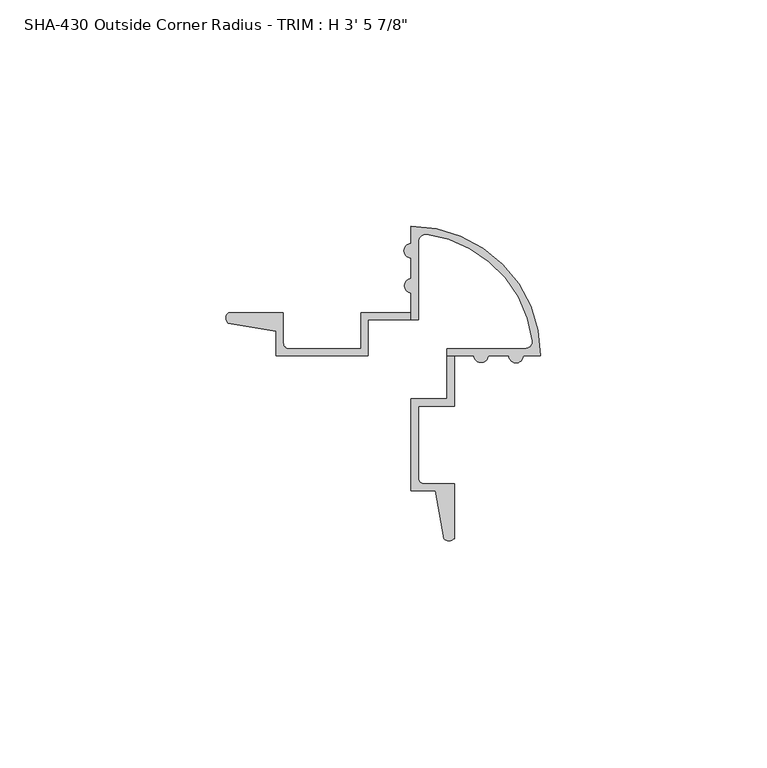
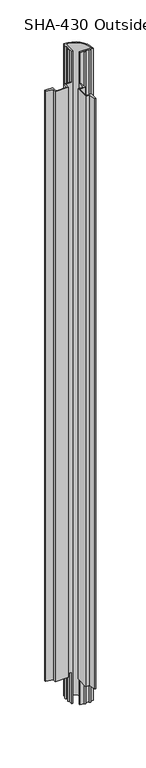
"""IFC4 building model written with IfcOpenShell, lengths in millimetres: proxy geometry."""

from ifc_helpers import new_model, si_unit, frame, origin, place, context, project, spatial, polyline, circle_curve, source, transform, mapped, element, save
from ifc_brep_helpers import plane_surface, cylinder_surface, revolved_surface, advanced_brep


def proxy_ad47ab9e(model_context):
    return source(origin(), model_context, "Body", "AdvancedBrep", [
        advanced_brep(
        [(12.174813, 18.5571767, 1063.625), (12.174813, 35.8208366, 1063.625), (13.9611448, 37.3970335, 1063.625), (37.3943128, 13.9638655, 1063.625), (35.8181158, 12.1775337, 1063.625), (18.554456, 12.1775337, 1063.625), (18.554456, 10.6016856, 1063.625), (24.4765947, 10.6016856, 1063.625), (27.6282909, 10.6016856, 1063.625), (32.2160421, 10.6016856, 1063.625), (35.3677382, 10.6016856, 1063.625), (39.1929824, 10.6016856, 1063.625), (10.5989649, 39.1957031, 1063.625), (10.5989649, 35.370459, 1063.625), (10.5989649, 32.2187628, 1063.625), (10.5989649, 27.6310116, 1063.625), (10.5989649, 24.4793155, 1063.625), (10.5926257, 18.5571767, 1063.625), (10.5989649, 18.5571767, 0.0), (10.5989649, 24.4793155, 0.0), (10.5989649, 27.6310116, 0.0), (10.5989649, 32.2187628, 0.0), (10.5989649, 35.370459, 0.0), (10.5989649, 39.1957031, 0.0), (39.1929824, 10.6016856, 0.0), (35.3677382, 10.6016856, 0.0), (32.2160421, 10.6016856, 0.0), (27.6282909, 10.6016856, 0.0), (24.4765947, 10.6016856, 0.0), (18.554456, 10.6016856, 0.0), (18.554456, 12.1775337, 0.0), (35.8181158, 12.1775337, 0.0), (37.3943128, 13.9638655, 0.0), (13.9611448, 37.3970335, 0.0), (12.174813, 35.8208366, 0.0), (12.174813, 18.5571767, 0.0), (-29.8450418, 17.8101106, 1012.825), (-29.8450418, 17.8101106, 50.8), (-19.2619162, 15.9979316, 50.8), (-19.2619162, 15.9979316, 1012.825), (-19.2619162, 10.6016856, 50.8), (-19.2619162, 10.6016856, 1012.825), (1.0676257, 10.6016856, 50.8), (1.0676257, 10.6016856, 1012.825), (1.0676257, 18.5571767, 50.8), (1.0676257, 18.5571767, 1012.825), (10.5926257, 18.5571767, 1012.825), (10.5989649, 18.5571767, 50.8), (18.554456, 10.6016856, 50.8), (18.554456, 1.0703465, 50.8), (18.554456, 1.0703465, 1012.825), (18.554456, 10.6016856, 1012.825), (10.5989649, 1.0703465, 50.8), (10.5989649, 1.0703465, 1012.825), (10.5989649, -19.2591955, 50.8), (10.5989649, -19.2591955, 1012.825), (15.9952108, -19.2591955, 50.8), (15.9952108, -19.2591955, 1012.825), (17.8073899, -29.8423211, 50.8), (17.8073899, -29.8423211, 1012.825), (20.130304, -29.7761933, 50.8), (20.130304, -29.7761933, 1012.825), (20.130304, -17.6833474, 50.8), (20.130304, -17.6833474, 1012.825), (13.4456582, -17.6833474, 50.8), (13.4456582, -17.6833474, 1012.825), (12.174813, -16.4125022, 50.8), (12.174813, -16.4125022, 1012.825), (12.174813, -0.5055016, 50.8), (12.174813, -0.5055016, 1012.825), (20.130304, -0.5055016, 50.8), (20.130304, -0.5055016, 1012.825), (20.130304, 10.6016856, 50.8), (20.130304, 10.6016856, 1012.825), (10.5989649, 20.1330248, 50.8), (10.5989649, 20.1330248, 1012.825), (-0.5082223, 20.1330248, 50.8), (-0.5082223, 20.1330248, 1012.825), (-0.5082223, 12.1775337, 50.8), (-0.5082223, 12.1775337, 1012.825), (-16.4152229, 12.1775337, 50.8), (-16.4152229, 12.1775337, 1012.825), (-17.6860681, 13.4483789, 50.8), (-17.6860681, 13.4483789, 1012.825), (-17.6860681, 20.1330248, 50.8), (-17.6860681, 20.1330248, 1012.825), (-29.778914, 20.1330248, 50.8), (-29.778914, 20.1330248, 1012.825)],
        [
            (0, 1),
            (1, 2, circle_curve(frame((13.7633695, 35.8208366, 1063.625), z_axis=(0.0, 0.0, -1.0), x_axis=(1.0, 0.0, 0.0)), 1.5885565)),
            (2, 3, circle_curve(frame((10.5989649, 10.6016856, 1063.625), z_axis=(0.0, 0.0, -1.0), x_axis=(1.0, 0.0, 0.0)), 27.0054609)),
            (3, 4, circle_curve(frame((35.8181158, 13.7660902, 1063.625), z_axis=(0.0, 0.0, -1.0), x_axis=(1.0, 0.0, 0.0)), 1.5885565)),
            (4, 5),
            (5, 6),
            (6, 7),
            (7, 8, circle_curve(frame((26.0524428, 10.6927316, 1063.625), z_axis=(0.0, 0.0, 1.0), x_axis=(1.0, 0.0, 0.0)), 1.578476)),
            (8, 9),
            (9, 10, circle_curve(frame((33.7918902, 10.6016856, 1063.625), z_axis=(0.0, 0.0, 1.0), x_axis=(1.0, 0.0, 0.0)), 1.5758481)),
            (10, 11),
            (11, 12, circle_curve(frame((10.5989649, 10.6016856, 1063.625), z_axis=(0.0, 0.0, 1.0), x_axis=(1.0, 0.0, 0.0)), 28.5940175)),
            (12, 13),
            (13, 14, circle_curve(frame((10.5989649, 33.7946109, 1063.625), z_axis=(0.0, 0.0, 1.0), x_axis=(1.0, 0.0, 0.0)), 1.5758481)),
            (14, 15),
            (15, 16, circle_curve(frame((10.6900109, 26.0551635, 1063.625), z_axis=(0.0, 0.0, 1.0), x_axis=(1.0, 0.0, 0.0)), 1.578476)),
            (16, 17),
            (17, 0),
            (18, 19),
            (19, 20, circle_curve(frame((10.6900109, 26.0551635, 0.0), z_axis=(0.0, 0.0, -1.0), x_axis=(1.0, 0.0, 0.0)), 1.578476)),
            (20, 21),
            (21, 22, circle_curve(frame((10.5989649, 33.7946109, 0.0), z_axis=(0.0, 0.0, -1.0), x_axis=(1.0, 0.0, 0.0)), 1.5758481)),
            (22, 23),
            (23, 24, circle_curve(frame((10.5989649, 10.6016856, 0.0), z_axis=(0.0, 0.0, -1.0), x_axis=(1.0, 0.0, 0.0)), 28.5940175)),
            (24, 25),
            (25, 26, circle_curve(frame((33.7918902, 10.6016856, 0.0), z_axis=(0.0, 0.0, -1.0), x_axis=(1.0, 0.0, 0.0)), 1.5758481)),
            (26, 27),
            (27, 28, circle_curve(frame((26.0524428, 10.6927316, 0.0), z_axis=(0.0, 0.0, -1.0), x_axis=(1.0, 0.0, 0.0)), 1.578476)),
            (28, 29),
            (29, 30),
            (30, 31),
            (31, 32, circle_curve(frame((35.8181158, 13.7660902, 0.0), z_axis=(0.0, 0.0, 1.0), x_axis=(1.0, 0.0, 0.0)), 1.5885565)),
            (32, 33, circle_curve(frame((10.5989649, 10.6016856, 0.0), z_axis=(0.0, 0.0, 1.0), x_axis=(1.0, 0.0, 0.0)), 27.0054609)),
            (33, 34, circle_curve(frame((13.7633695, 35.8208366, 0.0), z_axis=(0.0, 0.0, 1.0), x_axis=(1.0, 0.0, 0.0)), 1.5885565)),
            (34, 35),
            (35, 18),
            (36, 37),
            (37, 38),
            (38, 39),
            (39, 36),
            (38, 40),
            (40, 41),
            (41, 39),
            (40, 42),
            (42, 43),
            (43, 41),
            (42, 44),
            (44, 45),
            (45, 43),
            (35, 0),
            (17, 46),
            (46, 45),
            (44, 47),
            (47, 18),
            (34, 1),
            (33, 2),
            (32, 3),
            (31, 4),
            (30, 5),
            (29, 48),
            (48, 49),
            (49, 50),
            (50, 51),
            (51, 6),
            (49, 52),
            (52, 53),
            (53, 50),
            (52, 54),
            (54, 55),
            (55, 53),
            (54, 56),
            (56, 57),
            (57, 55),
            (56, 58),
            (58, 59),
            (59, 57),
            (58, 60, circle_curve(frame((18.9368338, -28.6847097, 50.8), z_axis=(0.0, 0.0, 1.0), x_axis=(1.0, 0.0, 0.0)), 1.617315)),
            (60, 61),
            (61, 59, circle_curve(frame((18.9368338, -28.6847097, 1012.825), z_axis=(0.0, 0.0, -1.0), x_axis=(1.0, 0.0, 0.0)), 1.617315)),
            (60, 62),
            (62, 63),
            (63, 61),
            (62, 64),
            (64, 65),
            (65, 63),
            (64, 66, circle_curve(frame((13.4456582, -16.4125022, 50.8), z_axis=(0.0, 0.0, -1.0), x_axis=(1.0, 0.0, 0.0)), 1.2708452)),
            (66, 67),
            (67, 65, circle_curve(frame((13.4456582, -16.4125022, 1012.825), z_axis=(0.0, 0.0, 1.0), x_axis=(1.0, 0.0, 0.0)), 1.2708452)),
            (66, 68),
            (68, 69),
            (69, 67),
            (68, 70),
            (70, 71),
            (71, 69),
            (70, 72),
            (72, 73),
            (73, 71),
            (28, 7),
            (51, 73),
            (72, 48),
            (27, 8),
            (26, 9),
            (25, 10),
            (24, 11),
            (23, 12),
            (22, 13),
            (21, 14),
            (20, 15),
            (19, 16),
            (47, 74),
            (74, 75),
            (75, 46),
            (74, 76),
            (76, 77),
            (77, 75),
            (76, 78),
            (78, 79),
            (79, 77),
            (78, 80),
            (80, 81),
            (81, 79),
            (80, 82, circle_curve(frame((-16.4152229, 13.4483789, 50.8), z_axis=(0.0, 0.0, -1.0), x_axis=(1.0, 0.0, 0.0)), 1.2708452)),
            (82, 83),
            (83, 81, circle_curve(frame((-16.4152229, 13.4483789, 1012.825), z_axis=(0.0, 0.0, 1.0), x_axis=(1.0, 0.0, 0.0)), 1.2708452)),
            (82, 84),
            (84, 85),
            (85, 83),
            (84, 86),
            (86, 87),
            (87, 85),
            (36, 87, circle_curve(frame((-28.6874304, 18.9395545, 1012.825), z_axis=(0.0, 0.0, -1.0), x_axis=(1.0, 0.0, 0.0)), 1.617315)),
            (86, 37, circle_curve(frame((-28.6874304, 18.9395545, 50.8), z_axis=(0.0, 0.0, 1.0), x_axis=(1.0, 0.0, 0.0)), 1.617315)),
        ],
        [
            plane_surface(frame((-19.2619162, 15.9979316, 1063.625), z_axis=(0.0, 0.0, 1.0), x_axis=(0.9856543593997009, -0.16877643140072965, 0.0))),
            plane_surface(frame((-19.2619162, 15.9979316, 0.0), z_axis=(0.0, 0.0, -1.0), x_axis=(-0.9856543593997009, 0.16877643140072965, 0.0))),
            plane_surface(frame((-29.8450418, 17.8101106, 1063.625), z_axis=(-0.16877643140072965, -0.9856543593997009, 0.0), x_axis=(0.0, 0.0, -1.0))),
            plane_surface(frame((-19.2619162, 15.9979316, 1063.625), z_axis=(-1.0, 0.0, 0.0), x_axis=(0.0, 0.0, -1.0))),
            plane_surface(frame((-19.2619162, 10.6016856, 1063.625), z_axis=(0.0, -1.0, 0.0), x_axis=(0.0, 0.0, -1.0))),
            plane_surface(frame((1.0676257, 10.6016856, 1063.625), z_axis=(1.0, 0.0, 0.0), x_axis=(0.0, 0.0, -1.0))),
            plane_surface(frame((1.0676257, 18.5571767, 1063.625), z_axis=(0.0, -1.0, 0.0), x_axis=(0.0, 0.0, -1.0))),
            plane_surface(frame((12.174813, 18.5571767, 1063.625), z_axis=(1.0, 0.0, 0.0), x_axis=(0.0, 0.0, -1.0))),
            revolved_surface(polyline([(15.351925999999999, 35.8208366, 0.0), (15.351925999999999, 35.8208366, 1063.625)]), (13.7633695, 35.8208366, 0.0), (0.0, 0.0, -1.0)),
            revolved_surface(polyline([(37.6044258, 10.6016856, 0.0), (37.6044258, 10.6016856, 1063.625)]), (10.5989649, 10.6016856, 0.0), (0.0, 0.0, -1.0)),
            revolved_surface(polyline([(37.406672300000004, 13.7660902, 0.0), (37.406672300000004, 13.7660902, 1063.625)]), (35.8181158, 13.7660902, 0.0), (0.0, 0.0, -1.0)),
            plane_surface(frame((35.8181158, 12.1775337, 1063.625), z_axis=(0.0, 1.0, 0.0), x_axis=(0.0, 0.0, -1.0))),
            plane_surface(frame((18.554456, 12.1775337, 1063.625), z_axis=(-1.0, 0.0, 0.0), x_axis=(0.0, 0.0, -1.0))),
            plane_surface(frame((18.554456, 1.0703465, 1063.625), z_axis=(0.0, 1.0, 0.0), x_axis=(0.0, 0.0, -1.0))),
            plane_surface(frame((10.5989649, 1.0703465, 1063.625), z_axis=(-1.0, 0.0, 0.0), x_axis=(0.0, 0.0, -1.0))),
            plane_surface(frame((10.5989649, -19.2591955, 1063.625), z_axis=(0.0, -1.0, 0.0), x_axis=(0.0, 0.0, -1.0))),
            plane_surface(frame((15.9952108, -19.2591955, 1063.625), z_axis=(-0.9856543593986387, -0.16877643140693321, 0.0), x_axis=(0.0, 0.0, -1.0))),
            cylinder_surface(frame((18.9368338, -28.6847097, 0.0), z_axis=(0.0, 0.0, 1.0), x_axis=(1.0, 0.0, 0.0)), 1.617315),
            plane_surface(frame((20.130304, -29.7761933, 1063.625), z_axis=(1.0, -1.5282300380445354e-11, 0.0), x_axis=(0.0, 0.0, -1.0))),
            plane_surface(frame((20.130304, -17.6833474, 1063.625), z_axis=(0.0, 1.0, 0.0), x_axis=(0.0, 0.0, -1.0))),
            revolved_surface(polyline([(14.7165034, -16.4125022, 50.8), (14.7165034, -16.4125022, 1012.825)]), (13.4456582, -16.4125022, 0.0), (0.0, 0.0, -1.0)),
            plane_surface(frame((12.174813, -16.4125022, 1063.625), z_axis=(1.0, 1.0928145318327571e-11, 0.0), x_axis=(0.0, 0.0, -1.0))),
            plane_surface(frame((12.174813, -0.5055016, 1063.625), z_axis=(0.0, -1.0, 0.0), x_axis=(0.0, 0.0, -1.0))),
            plane_surface(frame((20.130304, -0.5055016, 1063.625), z_axis=(1.0, 0.0, 0.0), x_axis=(0.0, 0.0, -1.0))),
            plane_surface(frame((20.130304, 10.6016856, 1063.625), z_axis=(0.0, -1.0, 0.0), x_axis=(0.0, 0.0, -1.0))),
            cylinder_surface(frame((26.0524428, 10.6927316, 0.0), z_axis=(0.0, 0.0, 1.0), x_axis=(1.0, 0.0, 0.0)), 1.578476),
            plane_surface(frame((27.6282909, 10.6016856, 1063.625), z_axis=(2.5180076485365696e-12, -1.0, 0.0), x_axis=(0.0, 0.0, -1.0))),
            cylinder_surface(frame((33.7918902, 10.6016856, 0.0), z_axis=(0.0, 0.0, 1.0), x_axis=(1.0, 0.0, 0.0)), 1.5758481),
            plane_surface(frame((35.3677382, 10.6016856, 1063.625), z_axis=(-3.0210418733494533e-12, -1.0, 0.0), x_axis=(0.0, 0.0, -1.0))),
            cylinder_surface(frame((10.5989649, 10.6016856, 0.0), z_axis=(0.0, 0.0, 1.0), x_axis=(1.0, 0.0, 0.0)), 28.5940175),
            plane_surface(frame((10.5989649, 39.1957031, 1063.625), z_axis=(-1.0, 0.0, 0.0), x_axis=(0.0, 0.0, -1.0))),
            cylinder_surface(frame((10.5989649, 33.7946109, 0.0), z_axis=(0.0, 0.0, 1.0), x_axis=(1.0, 0.0, 0.0)), 1.5758481),
            plane_surface(frame((10.5989649, 32.2187628, 1063.625), z_axis=(-1.0, 0.0, 0.0), x_axis=(0.0, 0.0, -1.0))),
            cylinder_surface(frame((10.6900109, 26.0551635, 0.0), z_axis=(0.0, 0.0, 1.0), x_axis=(1.0, 0.0, 0.0)), 1.578476),
            plane_surface(frame((10.5989649, 24.4793155, 1063.625), z_axis=(-1.0, -3.3219818899039764e-11, 0.0), x_axis=(0.0, 0.0, -1.0))),
            plane_surface(frame((10.5989649, 20.1330248, 1063.625), z_axis=(0.0, 1.0, 0.0), x_axis=(0.0, 0.0, -1.0))),
            plane_surface(frame((-0.5082223, 20.1330248, 1063.625), z_axis=(-1.0, 0.0, 0.0), x_axis=(0.0, 0.0, -1.0))),
            plane_surface(frame((-0.5082223, 12.1775337, 1063.625), z_axis=(0.0, 1.0, 0.0), x_axis=(0.0, 0.0, -1.0))),
            revolved_surface(polyline([(-15.1443777, 13.4483789, 50.8), (-15.1443777, 13.4483789, 1012.825)]), (-16.4152229, 13.4483789, 0.0), (0.0, 0.0, -1.0)),
            plane_surface(frame((-17.6860681, 13.4483789, 1063.625), z_axis=(1.0, 0.0, 0.0), x_axis=(0.0, 0.0, -1.0))),
            plane_surface(frame((-17.6860681, 20.1330248, 1063.625), z_axis=(0.0, 1.0, 0.0), x_axis=(0.0, 0.0, -1.0))),
            cylinder_surface(frame((-28.6874304, 18.9395545, 0.0), z_axis=(0.0, 0.0, 1.0), x_axis=(1.0, 0.0, 0.0)), 1.617315),
            plane_surface(frame((20.4161927, -30.6094477, 1012.825), z_axis=(0.0, 0.0, 1.0), x_axis=(-1.0, 0.0, 0.0))),
            plane_surface(frame((20.4161927, 10.6016856, 50.8), z_axis=(0.0, 0.0, -1.0), x_axis=(-1.0, 0.0, 0.0))),
            plane_surface(frame((-31.9619162, 10.1277966, 1012.825), z_axis=(0.0, 0.0, 1.0), x_axis=(0.0, 1.0, 0.0))),
            plane_surface(frame((10.5989649, 10.1277966, 50.8), z_axis=(0.0, 0.0, -1.0), x_axis=(0.0, 1.0, 0.0))),
        ],
        [
            (0, [[1, 2, 3, 4, 5, 6, 7, 8, 9, 10, 11, 12, 13, 14, 15, 16, 17, 18]]),
            (1, [[19, 20, 21, 22, 23, 24, 25, 26, 27, 28, 29, 30, 31, 32, 33, 34, 35, 36]]),
            (2, [[37, 38, 39, 40]]),
            (3, [[-39, 41, 42, 43]]),
            (4, [[-42, 44, 45, 46]]),
            (5, [[-45, 47, 48, 49]]),
            (6, [[50, -18, 51, 52, -48, 53, 54, -36]]),
            (7, [[-1, -50, -35, 55]]),
            (8, [[-2, -55, -34, 56]]),
            (9, [[-3, -56, -33, 57]]),
            (10, [[-4, -57, -32, 58]]),
            (11, [[-5, -58, -31, 59]]),
            (12, [[-59, -30, 60, 61, 62, 63, 64, -6]]),
            (13, [[-62, 65, 66, 67]]),
            (14, [[-66, 68, 69, 70]]),
            (15, [[-69, 71, 72, 73]]),
            (16, [[-72, 74, 75, 76]]),
            (17, [[-75, 77, 78, 79]]),
            (18, [[-78, 80, 81, 82]]),
            (19, [[-81, 83, 84, 85]]),
            (20, [[-84, 86, 87, 88]]),
            (21, [[-87, 89, 90, 91]]),
            (22, [[-90, 92, 93, 94]]),
            (23, [[-93, 95, 96, 97]]),
            (24, [[98, -7, -64, 99, -96, 100, -60, -29]]),
            (25, [[-8, -98, -28, 101]]),
            (26, [[-9, -101, -27, 102]]),
            (27, [[-10, -102, -26, 103]]),
            (28, [[-11, -103, -25, 104]]),
            (29, [[-12, -104, -24, 105]]),
            (30, [[-13, -105, -23, 106]]),
            (31, [[-14, -106, -22, 107]]),
            (32, [[-15, -107, -21, 108]]),
            (33, [[-16, -108, -20, 109]]),
            (34, [[-109, -19, -54, 110, 111, 112, -51, -17]]),
            (35, [[-111, 113, 114, 115]]),
            (36, [[-114, 116, 117, 118]]),
            (37, [[-117, 119, 120, 121]]),
            (38, [[-120, 122, 123, 124]]),
            (39, [[-123, 125, 126, 127]]),
            (40, [[-126, 128, 129, 130]]),
            (41, [[-37, 131, -129, 132]]),
            (42, [[-99, -63, -67, -70, -73, -76, -79, -82, -85, -88, -91, -94, -97]]),
            (43, [[-100, -95, -92, -89, -86, -83, -80, -77, -74, -71, -68, -65, -61]]),
            (44, [[-112, -115, -118, -121, -124, -127, -130, -131, -40, -43, -46, -49, -52]]),
            (45, [[-110, -53, -47, -44, -41, -38, -132, -128, -125, -122, -119, -116, -113]]),
        ],
    ),
    ])


if __name__ == "__main__":
    model = new_model("IFC4")
    model_context = context("Model", 3, world=origin())
    ifc_project = project(units=[si_unit("LENGTHUNIT", "METRE", prefix="MILLI")], contexts=[model_context])
    site = spatial("IfcSite", under=ifc_project)
    building = spatial("IfcBuilding", under=site)
    placement = place(None, origin())
    proxy_shape = proxy_ad47ab9e(model_context)
    element("IfcBuildingElementProxy", 1, Name="SHA-430 Outside Corner Radius - TRIM : H 3' 5 7/8\"", ObjectType="SHA-430 Outside Corner Radius - TRIM : H 3' 5 7/8\"", at=placement, inside=building, context=model_context, shape_type="MappedRepresentation", body=[
        mapped(proxy_shape, transform((0.0, 0.0, 0.0), x_axis=(1.0, 0.0, 0.0), y_axis=(0.0, 1.0, 0.0), z_axis=(0.0, 0.0, 1.0))),
    ])
    save(model, "model.ifc")
